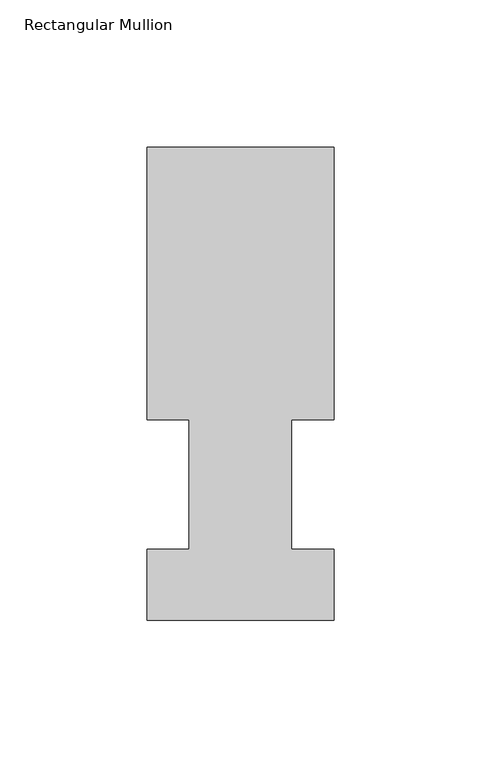
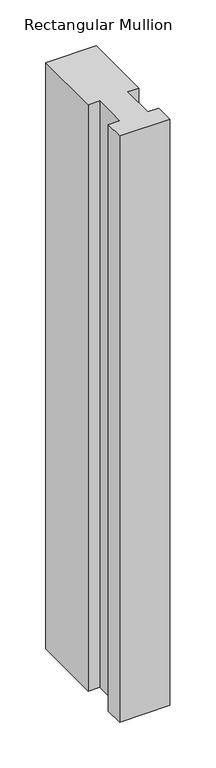
"""IFC4 building model written with IfcOpenShell, lengths in millimetres: member geometry, Rectangular Mullion."""

from ifc_helpers import new_model, si_unit, frame, origin, place, context, project, spatial, polyline, outline, extrude, source, transform, mapped, element, save


def rectangular_mullion_1171ee5d(model_context):
    return source(origin(), model_context, "Body", "SweptSolid", [
        extrude(outline(polyline([(31.75, 158.7388875), (31.75, 66.0796875), (17.4625, 66.0796875), (17.4625, 22.1122875), (31.75, 22.1122875), (31.75, -2.0908424), (-31.75, -2.0908424), (-31.75, 22.1122875), (-17.4625, 22.1122875), (-17.4625, 66.0796875), (-31.75, 66.0796875), (-31.75, 158.7388875), (31.75, 158.7388875)])), frame((0.0, 0.0, -781.05), z_axis=(0.0, 0.0, 1.0), x_axis=(1.0, 0.0, 0.0)), (0.0, 0.0, 1.0), 781.05),
    ])


if __name__ == "__main__":
    model = new_model("IFC4")
    model_context = context("Model", 3, world=origin())
    ifc_project = project(units=[si_unit("LENGTHUNIT", "METRE", prefix="MILLI")], contexts=[model_context])
    site = spatial("IfcSite", under=ifc_project)
    building = spatial("IfcBuilding", under=site)
    placement = place(None, origin())
    rectangular_mullion_shape = rectangular_mullion_1171ee5d(model_context)
    element("IfcMember", 1, ObjectType="Rectangular Mullion", at=placement, inside=building, context=model_context, shape_type="MappedRepresentation", body=[
        mapped(rectangular_mullion_shape, transform((0.0, 0.0, 0.0), x_axis=(1.0, 0.0, 0.0), y_axis=(0.0, 1.0, 0.0), z_axis=(0.0, 0.0, 1.0))),
    ])
    save(model, "model.ifc")
